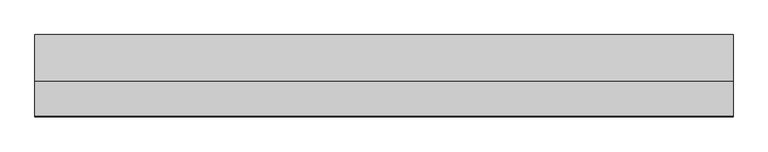
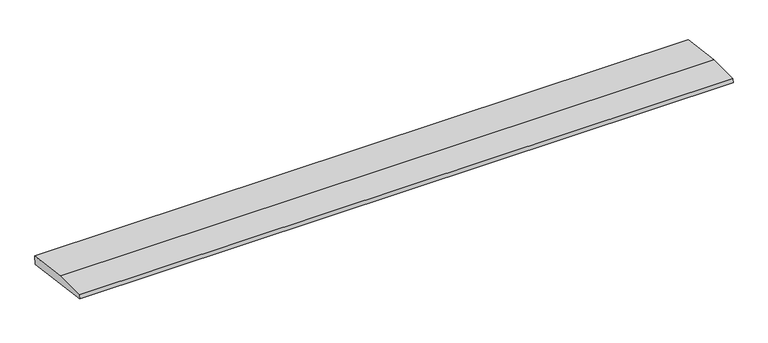
"""IFC4 building model written with IfcOpenShell, lengths in millimetres: beam geometry."""

from ifc_helpers import new_model, si_unit, frame, origin, place, context, project, spatial, polyline, outline, extrude, source, transform, mapped, element, save


def beam_1a6c5b2a(model_context):
    return source(origin(), model_context, "Body", "SweptSolid", [
        extrude(outline(polyline([(0.0, -9.143159), (1.1226388, 0.0), (79.0749747, 0.0), (180.9387048, -12.5072934), (178.6231873, -31.3656703), (0.0, -9.143159)])), frame((-765.2033483, 0.0, 0.0), z_axis=(1.0, 0.0, 0.0), x_axis=(0.0, 1.0, 0.0)), (0.0, 0.0, 1.0), 1530.4066966),
    ])


if __name__ == "__main__":
    model = new_model("IFC4")
    model_context = context("Model", 3, world=origin())
    ifc_project = project(units=[si_unit("LENGTHUNIT", "METRE", prefix="MILLI")], contexts=[model_context])
    site = spatial("IfcSite", under=ifc_project)
    building = spatial("IfcBuilding", under=site)
    placement = place(None, origin())
    beam_shape = beam_1a6c5b2a(model_context)
    element("IfcBeam", 1, at=placement, inside=building, context=model_context, shape_type="MappedRepresentation", body=[
        mapped(beam_shape, transform((0.0, 0.0, 0.0), x_axis=(1.0, 0.0, 0.0), y_axis=(0.0, 1.0, 0.0), z_axis=(0.0, 0.0, 1.0))),
    ])
    save(model, "model.ifc")
